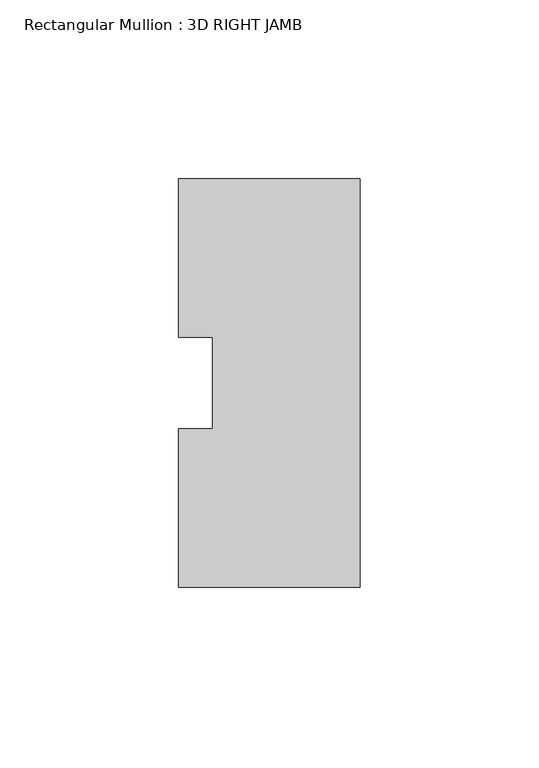
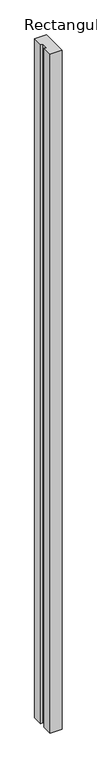
"""IFC4 building model written with IfcOpenShell, lengths in millimetres: member geometry, Rectangular Mullion : 3D RIGHT JAMB."""

from ifc_helpers import new_model, si_unit, frame, origin, place, context, project, spatial, polyline, outline, extrude, source, transform, mapped, element, save


def rectangular_mullion_3d_right_jamb_ea7ca951(model_context):
    return source(origin(), model_context, "Body", "SweptSolid", [
        extrude(outline(polyline([(0.0, -53.3781), (-50.8, -53.3781), (-50.8, -8.9607957), (-41.275, -8.9607957), (-41.275, 16.5269026), (-50.8, 16.5269026), (-50.8, 60.9219), (0.0, 60.934981), (0.0, -53.3781)])), frame((0.0, 0.0, -3048.0), z_axis=(0.0, 0.0, 1.0), x_axis=(1.0, 0.0, 0.0)), (0.0, 0.0, 1.0), 3048.0),
    ])


if __name__ == "__main__":
    model = new_model("IFC4")
    model_context = context("Model", 3, world=origin())
    ifc_project = project(units=[si_unit("LENGTHUNIT", "METRE", prefix="MILLI")], contexts=[model_context])
    site = spatial("IfcSite", under=ifc_project)
    building = spatial("IfcBuilding", under=site)
    placement = place(None, origin())
    rectangular_mullion_3d_right_jamb_shape = rectangular_mullion_3d_right_jamb_ea7ca951(model_context)
    element("IfcMember", 1, ObjectType="Rectangular Mullion : 3D RIGHT JAMB", at=placement, inside=building, context=model_context, shape_type="MappedRepresentation", body=[
        mapped(rectangular_mullion_3d_right_jamb_shape, transform((0.0, 0.0, 0.0), x_axis=(1.0, 0.0, 0.0), y_axis=(0.0, 1.0, 0.0), z_axis=(0.0, 0.0, 1.0))),
    ])
    save(model, "model.ifc")
